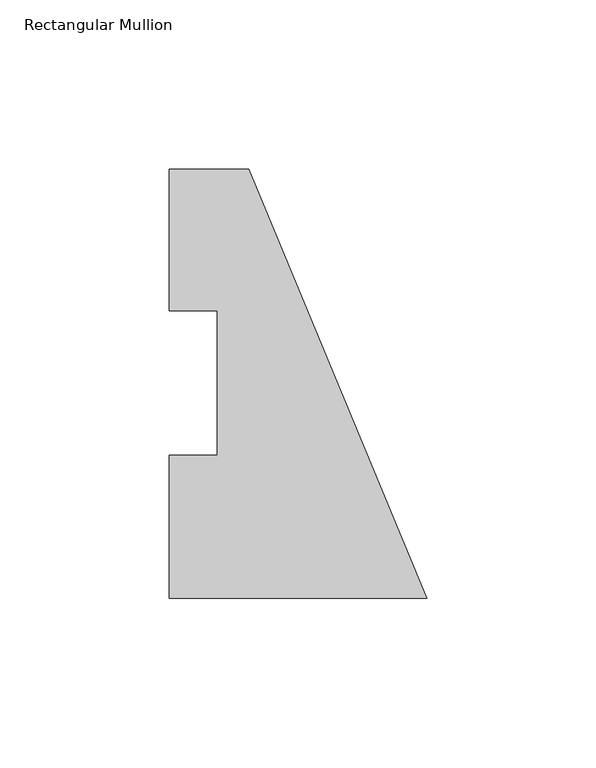
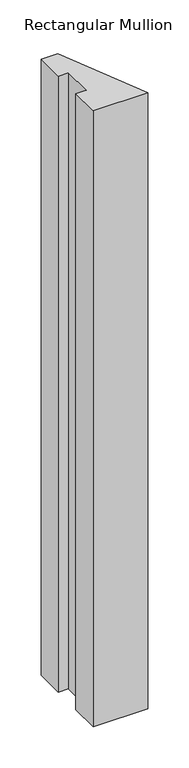
"""IFC4 building model written with IfcOpenShell, lengths in millimetres: member geometry, Rectangular Mullion."""

from ifc_helpers import new_model, si_unit, frame, origin, place, context, project, spatial, polyline, outline, extrude, source, transform, mapped, element, save


def rectangular_mullion_a3caf292(model_context):
    return source(origin(), model_context, "Body", "SweptSolid", [
        extrude(outline(polyline([(-76.2, 126.9705908), (-52.6051224, 126.9705908), (0.0, -0.0294092), (-76.2, -0.0294092), (-76.2, 42.2798875), (-61.9125, 42.2798875), (-61.9125, 85.1296875), (-76.2, 85.1296875), (-76.2, 126.9705908)])), frame((0.0, 0.0, -914.4), z_axis=(0.0, 0.0, 1.0), x_axis=(1.0, 0.0, 0.0)), (0.0, 0.0, 1.0), 914.4),
    ])


if __name__ == "__main__":
    model = new_model("IFC4")
    model_context = context("Model", 3, world=origin())
    ifc_project = project(units=[si_unit("LENGTHUNIT", "METRE", prefix="MILLI")], contexts=[model_context])
    site = spatial("IfcSite", under=ifc_project)
    building = spatial("IfcBuilding", under=site)
    placement = place(None, origin())
    rectangular_mullion_shape = rectangular_mullion_a3caf292(model_context)
    element("IfcMember", 1, ObjectType="Rectangular Mullion", at=placement, inside=building, context=model_context, shape_type="MappedRepresentation", body=[
        mapped(rectangular_mullion_shape, transform((0.0, 0.0, 0.0), x_axis=(1.0, 0.0, 0.0), y_axis=(0.0, 1.0, 0.0), z_axis=(0.0, 0.0, 1.0))),
    ])
    save(model, "model.ifc")
